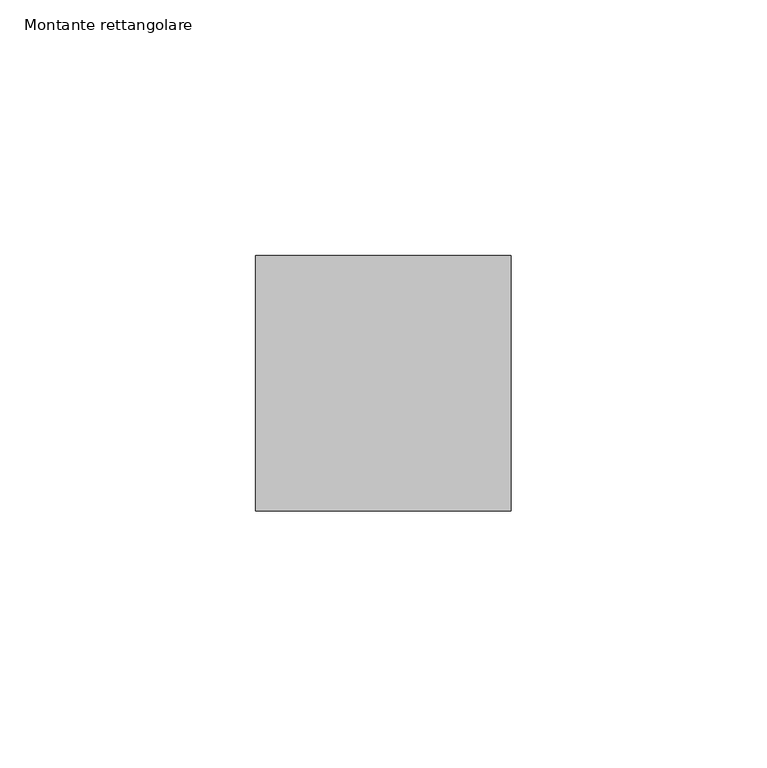
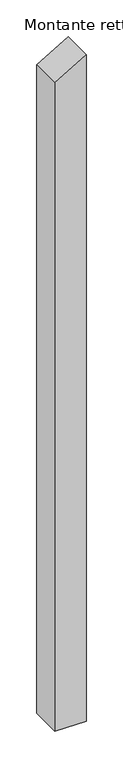
"""IFC4 building model written with IfcOpenShell, lengths in millimetres: member geometry, Montante rettangolare."""

from ifc_helpers import new_model, si_unit, frame, origin, place, context, project, spatial, polyline, outline, extrude, source, transform, mapped, element, save


def montante_rettangolare_7b29ade8(model_context):
    return source(origin(), model_context, "Body", "SweptSolid", [
        extrude(outline(polyline([(-8.1796916, 0.0), (-37.9265657, -50.0), (-1121.7389893, -50.0), (-1121.7389893, 0.0), (-8.1796916, 0.0)])), frame((0.0, -25.0, 0.0), z_axis=(0.0, 1.0, 0.0), x_axis=(0.0, 0.0, 1.0)), (0.0, 0.0, 1.0), 50.0),
    ])


if __name__ == "__main__":
    model = new_model("IFC4")
    model_context = context("Model", 3, world=origin())
    ifc_project = project(units=[si_unit("LENGTHUNIT", "METRE", prefix="MILLI")], contexts=[model_context])
    site = spatial("IfcSite", under=ifc_project)
    building = spatial("IfcBuilding", under=site)
    placement = place(None, origin())
    montante_rettangolare_shape = montante_rettangolare_7b29ade8(model_context)
    element("IfcMember", 1, ObjectType="Montante rettangolare", at=placement, inside=building, context=model_context, shape_type="MappedRepresentation", body=[
        mapped(montante_rettangolare_shape, transform((0.0, 0.0, 0.0), x_axis=(1.0, 0.0, 0.0), y_axis=(0.0, 1.0, 0.0), z_axis=(0.0, 0.0, 1.0))),
    ])
    save(model, "model.ifc")
